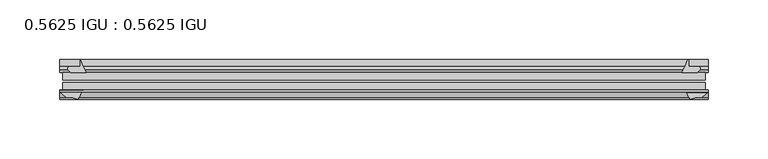
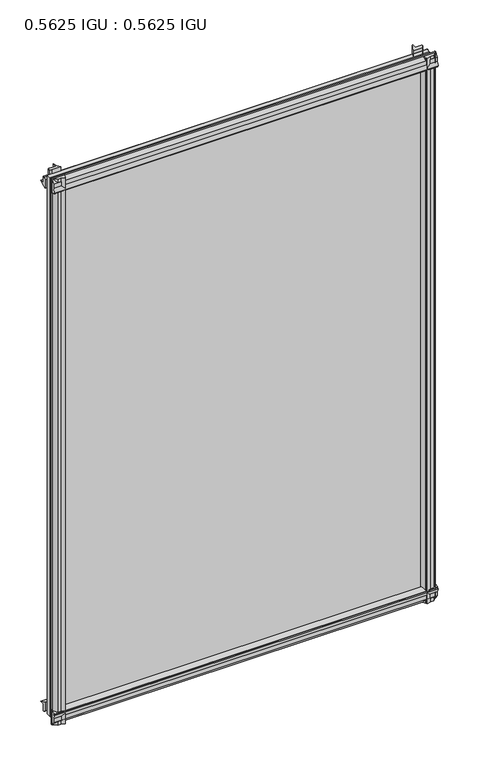
"""IFC4 building model written with IfcOpenShell, lengths in millimetres: plate geometry, 0.5625 IGU : 0.5625 IGU."""

from ifc_helpers import new_model, si_unit, point, frame, frame_2d, origin, place, context, project, spatial, polyline, circle_curve, trimmed, segment, composite_curve, outline, extrude, source, transform, mapped, element, save


def plate_0_5625_igu_0_5625_igu_47d97751(model_context):
    return source(origin(), model_context, "Body", "SweptSolid", [
        extrude(outline(composite_curve([segment(trimmed(circle_curve(frame_2d((-37.8345654, 15.3636795)), 15.5602222), [point((-35.093275, 0.0468313))], [point((-27.955875, 3.3415337))], True, "CARTESIAN"), True, "CONTINUOUS"), segment(polyline([(-27.955875, 3.3415337), (-27.955875, -17.9974199)]), True, "CONTINUOUS"), segment(trimmed(circle_curve(frame_2d((-28.971875, -17.9974199)), 1.016), [point((-27.955875, -17.9974199))], [point((-29.7387172, -18.6639099))], False, "CARTESIAN"), True, "CONTINUOUS"), segment(polyline([(-29.7387172, -18.6639099), (-34.305875, -13.4090837), (-34.305875, -7.4052024), (-35.880675, -1.5279687), (-34.305875, -1.5279687), (-34.305875, -0.7405687)]), True, "CONTINUOUS"), segment(trimmed(circle_curve(frame_2d((-35.093275, -0.7405687)), 0.7874), [point((-34.305875, -0.7405687))], [point((-35.093275, 0.0468313))], True, "CARTESIAN"), True, "CONTINUOUS")], self_intersect=False)), frame((-272.2622763, 0.0, 0.0), z_axis=(1.0, 0.0, 0.0), x_axis=(0.0, 1.0, 0.0)), (0.0, 0.0, 1.0), 544.5245525),
        extrude(outline(composite_curve([segment(trimmed(circle_curve(frame_2d((11.4445684, 45.0767023)), 47.0962123), [point((-13.096875, 4.8800511))], [point((-2.198896, 0.0))], True, "CARTESIAN"), True, "CONTINUOUS"), segment(polyline([(-2.198896, 0.0), (-8.321675, 0.0), (-8.321675, -9.0936065)]), True, "CONTINUOUS"), segment(trimmed(circle_curve(frame_2d((-9.9050751, -9.085239)), 1.5834222), [point((-8.321675, -9.0936065))], [point((-11.0877177, -10.1381313))], False, "CARTESIAN"), True, "CONTINUOUS"), segment(polyline([(-11.0877177, -10.1381313), (-13.096875, -7.8711888), (-13.096875, 4.8800511)]), True, "CONTINUOUS")], self_intersect=False)), frame((-272.2622763, 0.0, 0.0), z_axis=(1.0, 0.0, 0.0), x_axis=(0.0, 1.0, 0.0)), (0.0, 0.0, 1.0), 544.5245525),
        extrude(outline(composite_curve([segment(polyline([(-34.305875, 794.4590837), (-29.7387172, 799.7139099)]), True, "CONTINUOUS"), segment(trimmed(circle_curve(frame_2d((-28.971875, 799.0474199)), 1.016), [point((-29.7387172, 799.7139099))], [point((-27.955875, 799.0474199))], False, "CARTESIAN"), True, "CONTINUOUS"), segment(polyline([(-27.955875, 799.0474199), (-27.955875, 777.7084663)]), True, "CONTINUOUS"), segment(trimmed(circle_curve(frame_2d((-37.8345654, 765.6863205)), 15.5602222), [point((-27.955875, 777.7084663))], [point((-35.093275, 781.0031687))], True, "CARTESIAN"), True, "CONTINUOUS"), segment(trimmed(circle_curve(frame_2d((-35.093275, 781.7905688)), 0.7874), [point((-35.093275, 781.0031687))], [point((-34.305875, 781.7905688))], True, "CARTESIAN"), True, "CONTINUOUS"), segment(polyline([(-34.305875, 781.7905688), (-34.305875, 782.5779687), (-35.880675, 782.5779687), (-34.305875, 788.4552024), (-34.305875, 794.4590837)]), True, "CONTINUOUS")], self_intersect=False)), frame((-272.2622763, 0.0, 0.0), z_axis=(1.0, 0.0, 0.0), x_axis=(0.0, 1.0, 0.0)), (0.0, 0.0, 1.0), 544.5245525),
        extrude(outline(composite_curve([segment(trimmed(circle_curve(frame_2d((-9.9050751, 790.135239)), 1.5834222), [point((-11.0877177, 791.1881313))], [point((-8.321675, 790.1436065))], False, "CARTESIAN"), True, "CONTINUOUS"), segment(polyline([(-8.321675, 790.1436065), (-8.321675, 781.05), (-2.198896, 781.05)]), True, "CONTINUOUS"), segment(trimmed(circle_curve(frame_2d((11.4445684, 735.9732977)), 47.0962123), [point((-2.198896, 781.05))], [point((-13.096875, 776.1699489))], True, "CARTESIAN"), True, "CONTINUOUS"), segment(polyline([(-13.096875, 776.1699489), (-13.096875, 788.9211888), (-11.0877177, 791.1881313)]), True, "CONTINUOUS")], self_intersect=False)), frame((-272.2622763, 0.0, 0.0), z_axis=(1.0, 0.0, 0.0), x_axis=(0.0, 1.0, 0.0)), (0.0, 0.0, 1.0), 544.5245525),
        extrude(outline(composite_curve([segment(polyline([(255.6331561, -8.321675), (263.9024378, -8.321675)]), True, "CONTINUOUS"), segment(trimmed(circle_curve(frame_2d((263.8940703, -9.9050751)), 1.5834222), [point((263.9024378, -8.321675))], [point((264.9469626, -11.0877177))], False, "CARTESIAN"), True, "CONTINUOUS"), segment(polyline([(264.9469626, -11.0877177), (262.68002, -13.096875), (249.9287802, -13.096875)]), True, "CONTINUOUS"), segment(trimmed(circle_curve(frame_2d((209.7321289, 11.4445684)), 47.0962123), [point((249.9287802, -13.096875))], [point((254.762, -2.352675))], True, "CARTESIAN"), True, "CONTINUOUS"), segment(polyline([(254.762, -2.352675), (255.6331561, -2.5510821), (255.6331561, -8.321675)]), True, "CONTINUOUS")], self_intersect=False)), frame((0.0, 0.0, -19.0134199), z_axis=(0.0, 0.0, 1.0), x_axis=(1.0, 0.0, 0.0)), (0.0, 0.0, 1.0), 818.7273298),
        extrude(outline(composite_curve([segment(trimmed(circle_curve(frame_2d((271.2462763, -28.971875)), 1.016), [point((271.2462763, -27.955875))], [point((271.9127663, -29.7387172))], False, "CARTESIAN"), True, "CONTINUOUS"), segment(polyline([(271.9127663, -29.7387172), (266.6579401, -34.305875), (262.6458336, -34.305875), (256.7686, -35.880675), (256.7686, -34.305875), (255.6782443, -34.305875)]), True, "CONTINUOUS"), segment(trimmed(circle_curve(frame_2d((244.0422917, -36.1215237)), 11.7767556), [point((255.6782443, -34.305875))], [point((252.5284071, -27.955875))], True, "CARTESIAN"), True, "CONTINUOUS"), segment(polyline([(252.5284071, -27.955875), (271.2462763, -27.955875)]), True, "CONTINUOUS")], self_intersect=False)), frame((0.0, 0.0, -19.0134199), z_axis=(0.0, 0.0, 1.0), x_axis=(1.0, 0.0, 0.0)), (0.0, 0.0, 1.0), 818.7273298),
        extrude(outline(composite_curve([segment(trimmed(circle_curve(frame_2d((-209.7321289, 11.4445684)), 47.0962123), [point((-254.7122882, -2.5138875))], [point((-249.9287802, -13.096875))], True, "CARTESIAN"), True, "CONTINUOUS"), segment(polyline([(-249.9287802, -13.096875), (-262.68002, -13.096875), (-264.9469626, -11.0877177)]), True, "CONTINUOUS"), segment(trimmed(circle_curve(frame_2d((-263.8940703, -9.9050751)), 1.5834222), [point((-264.9469626, -11.0877177))], [point((-263.9024378, -8.321675))], False, "CARTESIAN"), True, "CONTINUOUS"), segment(polyline([(-263.9024378, -8.321675), (-254.7122882, -8.321675), (-254.7122882, -2.5138875)]), True, "CONTINUOUS")], self_intersect=False)), frame((0.0, 0.0, -19.0134199), z_axis=(0.0, 0.0, 1.0), x_axis=(1.0, 0.0, 0.0)), (0.0, 0.0, 1.0), 819.0768398),
        extrude(outline(composite_curve([segment(trimmed(circle_curve(frame_2d((-244.0422917, -36.1215237)), 11.7767556), [point((-252.5284071, -27.955875))], [point((-255.6782443, -34.305875))], True, "CARTESIAN"), True, "CONTINUOUS"), segment(polyline([(-255.6782443, -34.305875), (-256.7686, -34.305875), (-256.7686, -35.880675), (-262.6458336, -34.305875), (-266.6579401, -34.305875), (-271.9127663, -29.7387172)]), True, "CONTINUOUS"), segment(trimmed(circle_curve(frame_2d((-271.2462763, -28.971875)), 1.016), [point((-271.9127663, -29.7387172))], [point((-271.2462763, -27.955875))], False, "CARTESIAN"), True, "CONTINUOUS"), segment(polyline([(-271.2462763, -27.955875), (-252.5284071, -27.955875)]), True, "CONTINUOUS")], self_intersect=False)), frame((0.0, 0.0, -19.0134199), z_axis=(0.0, 0.0, 1.0), x_axis=(1.0, 0.0, 0.0)), (0.0, 0.0, 1.0), 819.0768398),
        extrude(outline(polyline([(-269.4813, -13.096875), (269.4813, -13.096875), (269.4813, -19.396075), (-269.4813, -19.396075), (-269.4813, -13.096875)])), frame((0.0, 0.0, -13.5929687), z_axis=(0.0, 0.0, 1.0), x_axis=(1.0, 0.0, 0.0)), (0.0, 0.0, 1.0), 808.2359375),
        extrude(outline(polyline([(269.4813, -21.656675), (269.4813, -27.955875), (-269.4813, -27.955875), (-269.4813, -21.656675), (269.4813, -21.656675)])), frame((0.0, 0.0, -13.5929687), z_axis=(0.0, 0.0, 1.0), x_axis=(1.0, 0.0, 0.0)), (0.0, 0.0, 1.0), 808.2359375),
    ])


if __name__ == "__main__":
    model = new_model("IFC4")
    model_context = context("Model", 3, world=origin())
    ifc_project = project(units=[si_unit("LENGTHUNIT", "METRE", prefix="MILLI")], contexts=[model_context])
    site = spatial("IfcSite", under=ifc_project)
    building = spatial("IfcBuilding", under=site)
    placement = place(None, origin())
    plate_0_5625_igu_0_5625_igu_shape = plate_0_5625_igu_0_5625_igu_47d97751(model_context)
    element("IfcPlate", 1, ObjectType="0.5625 IGU : 0.5625 IGU", at=placement, inside=building, context=model_context, shape_type="MappedRepresentation", body=[
        mapped(plate_0_5625_igu_0_5625_igu_shape, transform((0.0, 0.0, 0.0), x_axis=(1.0, 0.0, 0.0), y_axis=(0.0, 1.0, 0.0), z_axis=(0.0, 0.0, 1.0))),
    ])
    save(model, "model.ifc")
